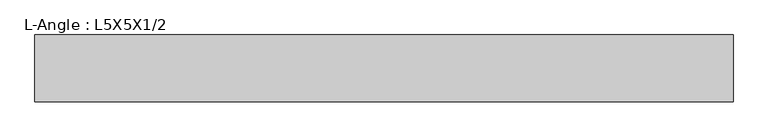
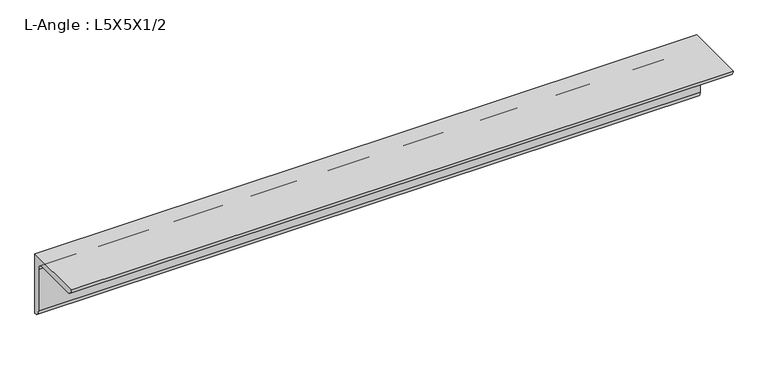
"""IFC4 building model written with IfcOpenShell, lengths in millimetres: beam geometry, L-Angle : L5X5X1/2."""

from ifc_helpers import new_model, si_unit, point, frame, frame_2d, origin, place, context, project, spatial, polyline, circle_curve, trimmed, segment, composite_curve, outline, extrude, source, transform, mapped, element, save


def l_angle_l5x5x1_2_993d3ca2(model_context):
    return source(origin(), model_context, "Body", "SweptSolid", [
        extrude(outline(composite_curve([segment(polyline([(36.068, 36.068), (36.068, -90.932)]), True, "CONTINUOUS"), segment(trimmed(circle_curve(frame_2d((36.068, -78.232)), 12.7), [point((36.068, -90.932))], [point((23.368, -78.232))], False, "CARTESIAN"), True, "CONTINUOUS"), segment(polyline([(23.368, -78.232), (23.368, 10.668)]), True, "CONTINUOUS"), segment(trimmed(circle_curve(frame_2d((10.668, 10.668)), 12.7), [point((23.368, 10.668))], [point((10.668, 23.368))], True, "CARTESIAN"), True, "CONTINUOUS"), segment(polyline([(10.668, 23.368), (-78.232, 23.368)]), True, "CONTINUOUS"), segment(trimmed(circle_curve(frame_2d((-78.232, 36.068)), 12.7), [point((-78.232, 23.368))], [point((-90.932, 36.068))], False, "CARTESIAN"), True, "CONTINUOUS"), segment(polyline([(-90.932, 36.068), (36.068, 36.068)]), True, "CONTINUOUS")], self_intersect=False)), frame((-208.9514164, 0.0, 0.0), z_axis=(1.0, 0.0, 0.0), x_axis=(0.0, 1.0, 0.0)), (0.0, 0.0, 1.0), 1328.7218864),
    ])


if __name__ == "__main__":
    model = new_model("IFC4")
    model_context = context("Model", 3, world=origin())
    ifc_project = project(units=[si_unit("LENGTHUNIT", "METRE", prefix="MILLI")], contexts=[model_context])
    site = spatial("IfcSite", under=ifc_project)
    building = spatial("IfcBuilding", under=site)
    placement = place(None, origin())
    l_angle_l5x5x1_2_shape = l_angle_l5x5x1_2_993d3ca2(model_context)
    element("IfcBeam", 1, ObjectType="L-Angle : L5X5X1/2", at=placement, inside=building, context=model_context, shape_type="MappedRepresentation", body=[
        mapped(l_angle_l5x5x1_2_shape, transform((0.0, 0.0, 0.0), x_axis=(1.0, 0.0, 0.0), y_axis=(0.0, 1.0, 0.0), z_axis=(0.0, 0.0, 1.0))),
    ])
    save(model, "model.ifc")
